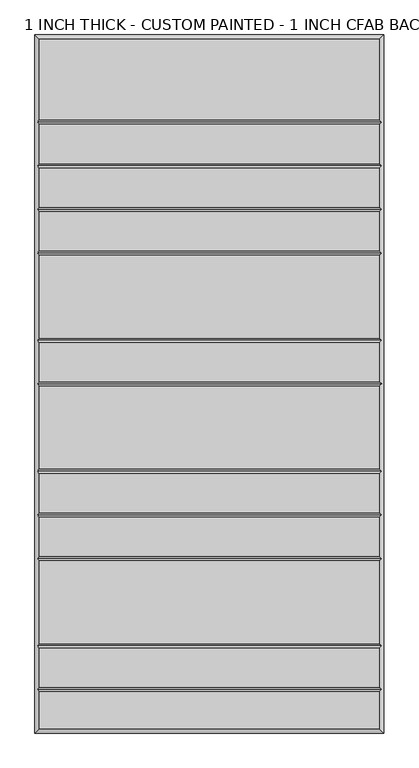
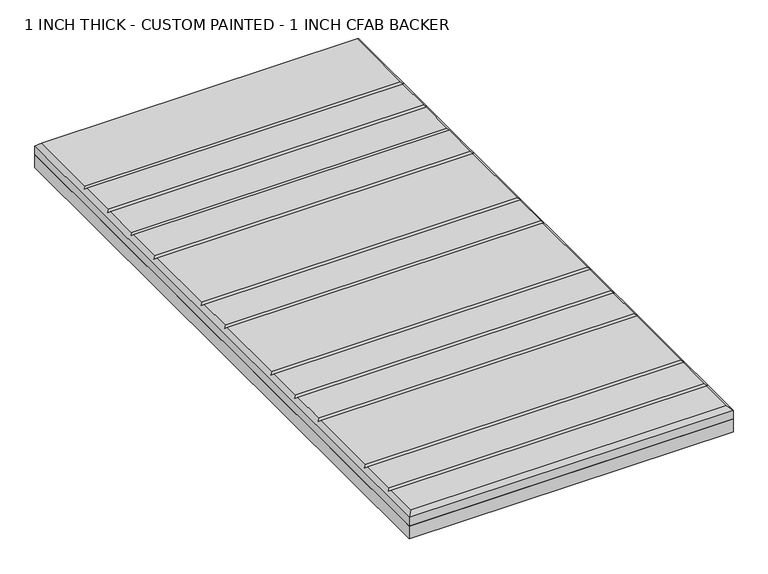
"""IFC4 building model written with IfcOpenShell, lengths in millimetres: proxy geometry, 1 INCH THICK - CUSTOM PAINTED - 1 INCH CFAB BACKER."""

from ifc_helpers import new_model, si_unit, frame, origin, place, context, project, spatial, polyline, outline, extrude, faceted_brep, source, transform, mapped, element, save


def proxy_1_inch_thick_custom_painted_1_inch_cfab_backer_27dd1d17(model_context):
    return source(origin(), model_context, "Body", "SolidModel", [
        extrude(outline(polyline([(-304.8, 609.6), (304.8, 609.6), (304.8, -609.6), (-304.8, -609.6), (-304.8, 609.6)])), frame((0.0, 0.0, -25.4), z_axis=(0.0, 0.0, 1.0), x_axis=(1.0, 0.0, 0.0)), (0.0, 0.0, 1.0), 25.4),
        faceted_brep([(296.799, 601.599, 25.4), (-296.799, 601.599, 25.4), (-296.799, 461.2005, 25.4), (296.799, 461.2005, 25.4), (-296.799, -601.599, 25.4), (296.799, -601.599, 25.4), (296.799, -537.4005, 25.4), (-296.799, -537.4005, 25.4), (296.799, 376.9995, 25.4), (-296.799, 376.9995, 25.4), (-296.799, 308.8005, 25.4), (296.799, 308.8005, 25.4), (-296.799, 385.0005, 25.4), (296.799, 385.0005, 25.4), (296.799, 453.1995, 25.4), (-296.799, 453.1995, 25.4), (296.799, 300.7995, 25.4), (-296.799, 300.7995, 25.4), (-296.799, 232.6005, 25.4), (296.799, 232.6005, 25.4), (296.799, 224.5995, 25.4), (-296.799, 224.5995, 25.4), (-296.799, 80.2005, 25.4), (296.799, 80.2005, 25.4), (296.799, 72.1995, 25.4), (-296.799, 72.1995, 25.4), (-296.799, 4.0005, 25.4), (296.799, 4.0005, 25.4), (296.799, -4.0005, 25.4), (-296.799, -4.0005, 25.4), (-296.799, -148.3995, 25.4), (296.799, -148.3995, 25.4), (296.799, -156.4005, 25.4), (-296.799, -156.4005, 25.4), (-296.799, -224.5995, 25.4), (296.799, -224.5995, 25.4), (296.799, -232.6005, 25.4), (-296.799, -232.6005, 25.4), (-296.799, -300.7995, 25.4), (296.799, -300.7995, 25.4), (296.799, -308.8005, 25.4), (-296.799, -308.8005, 25.4), (-296.799, -453.1995, 25.4), (296.799, -453.1995, 25.4), (296.799, -461.2005, 25.4), (-296.799, -461.2005, 25.4), (-296.799, -529.3995, 25.4), (296.799, -529.3995, 25.4), (-304.8, 609.6, 0.0), (304.8, 609.6, 0.0), (304.8, -609.6, 0.0), (-304.8, -609.6, 0.0), (-304.8, -609.6, 17.399), (-304.8, 609.6, 17.399), (304.8, -609.6, 17.399), (304.8, 609.6, 17.399), (-300.7995, -533.4, 21.3995), (-300.7995, -457.2, 21.3995), (-300.7995, -304.8, 21.3995), (-300.7995, -228.6, 21.3995), (-300.7995, -152.4, 21.3995), (-300.7995, 0.0, 21.3995), (-300.7995, 76.2, 21.3995), (-300.7995, 228.6, 21.3995), (-300.7995, 304.8, 21.3995), (-300.7995, 381.0, 21.3995), (-300.7995, 457.2, 21.3995), (300.7995, 457.2, 21.3995), (300.7995, 381.0, 21.3995), (300.7995, 304.8, 21.3995), (300.7995, 228.6, 21.3995), (300.7995, 76.2, 21.3995), (300.7995, 0.0, 21.3995), (300.7995, -152.4, 21.3995), (300.7995, -228.6, 21.3995), (300.7995, -304.8, 21.3995), (300.7995, -457.2, 21.3995), (300.7995, -533.4, 21.3995)], [[[0, 1, 2, 3]], [[4, 5, 6, 7]], [[8, 9, 10, 11]], [[12, 13, 14, 15]], [[16, 17, 18, 19]], [[20, 21, 22, 23]], [[24, 25, 26, 27]], [[28, 29, 30, 31]], [[32, 33, 34, 35]], [[36, 37, 38, 39]], [[40, 41, 42, 43]], [[44, 45, 46, 47]], [[48, 49, 50, 51]], [[48, 51, 52, 53]], [[51, 50, 54, 52]], [[50, 49, 55, 54]], [[49, 48, 53, 55]], [[53, 1, 0, 55]], [[1, 53, 52, 4, 7, 56, 46, 45, 57, 42, 41, 58, 38, 37, 59, 34, 33, 60, 30, 29, 61, 26, 25, 62, 22, 21, 63, 18, 17, 64, 10, 9, 65, 12, 15, 66, 2]], [[4, 52, 54, 5]], [[55, 0, 3, 67, 14, 13, 68, 8, 11, 69, 16, 19, 70, 20, 23, 71, 24, 27, 72, 28, 31, 73, 32, 35, 74, 36, 39, 75, 40, 43, 76, 44, 47, 77, 6, 5, 54]], [[68, 65, 9, 8]], [[65, 68, 13, 12]], [[69, 64, 17, 16]], [[64, 69, 11, 10]], [[70, 63, 21, 20]], [[63, 70, 19, 18]], [[71, 62, 25, 24]], [[62, 71, 23, 22]], [[72, 61, 29, 28]], [[61, 72, 27, 26]], [[73, 60, 33, 32]], [[60, 73, 31, 30]], [[74, 59, 37, 36]], [[59, 74, 35, 34]], [[75, 58, 41, 40]], [[58, 75, 39, 38]], [[76, 57, 45, 44]], [[57, 76, 43, 42]], [[77, 56, 7, 6]], [[56, 77, 47, 46]], [[67, 66, 15, 14]], [[66, 67, 3, 2]]]),
    ])


if __name__ == "__main__":
    model = new_model("IFC4")
    model_context = context("Model", 3, world=origin())
    ifc_project = project(units=[si_unit("LENGTHUNIT", "METRE", prefix="MILLI")], contexts=[model_context])
    site = spatial("IfcSite", under=ifc_project)
    building = spatial("IfcBuilding", under=site)
    placement = place(None, origin())
    proxy_1_inch_thick_custom_painted_1_inch_cfab_backer_shape = proxy_1_inch_thick_custom_painted_1_inch_cfab_backer_27dd1d17(model_context)
    element("IfcBuildingElementProxy", 1, Name="1 INCH THICK - CUSTOM PAINTED - 1 INCH CFAB BACKER", ObjectType="1 INCH THICK - CUSTOM PAINTED - 1 INCH CFAB BACKER", at=placement, inside=building, context=model_context, shape_type="MappedRepresentation", body=[
        mapped(proxy_1_inch_thick_custom_painted_1_inch_cfab_backer_shape, transform((0.0, 0.0, 0.0), x_axis=(1.0, 0.0, 0.0), y_axis=(0.0, 1.0, 0.0), z_axis=(0.0, 0.0, 1.0))),
    ])
    save(model, "model.ifc")
